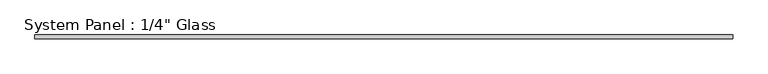
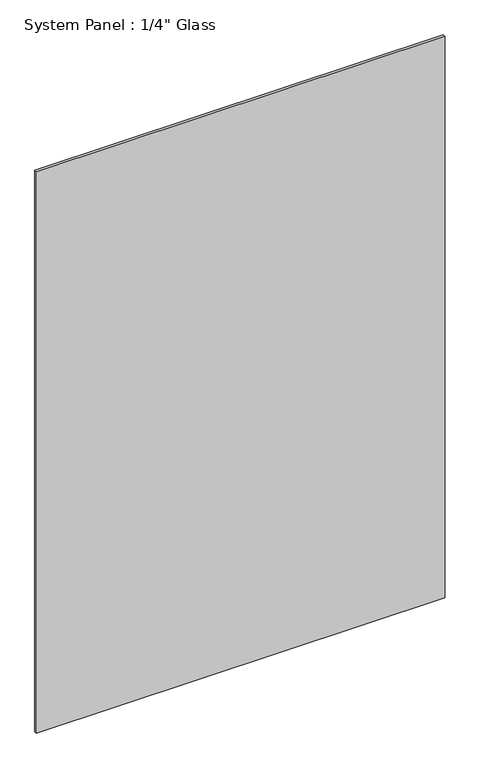
"""IFC4 building model written with IfcOpenShell, lengths in millimetres: plate geometry."""

from ifc_helpers import new_model, si_unit, origin, origin_with_axes, place, context, project, spatial, polyline, outline, extrude, source, transform, mapped, element, save


def plate_d181e9e5(model_context):
    return source(origin(), model_context, "Body", "SweptSolid", [
        extrude(outline(polyline([(584.0817046, -3.175), (-584.0817046, -3.175), (-584.0817046, 3.175), (584.0817046, 3.175), (584.0817046, -3.175)])), origin_with_axes(), (0.0, 0.0, 1.0), 1695.45),
    ])


if __name__ == "__main__":
    model = new_model("IFC4")
    model_context = context("Model", 3, world=origin())
    ifc_project = project(units=[si_unit("LENGTHUNIT", "METRE", prefix="MILLI")], contexts=[model_context])
    site = spatial("IfcSite", under=ifc_project)
    building = spatial("IfcBuilding", under=site)
    placement = place(None, origin())
    plate_shape = plate_d181e9e5(model_context)
    element("IfcPlate", 1, ObjectType="System Panel : 1/4\" Glass", at=placement, inside=building, context=model_context, shape_type="MappedRepresentation", body=[
        mapped(plate_shape, transform((0.0, 0.0, 0.0), x_axis=(1.0, 0.0, 0.0), y_axis=(0.0, 1.0, 0.0), z_axis=(0.0, 0.0, 1.0))),
    ])
    save(model, "model.ifc")
